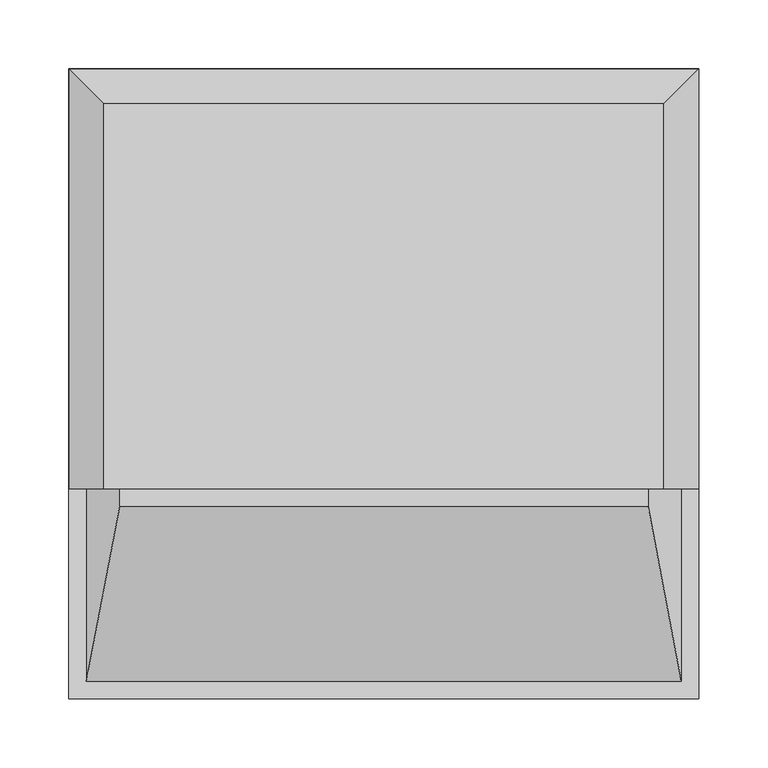
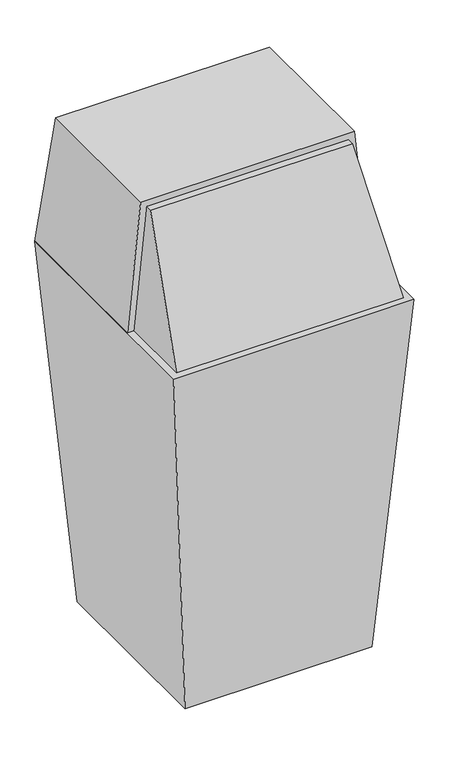
"""IFC4 building model written with IfcOpenShell, lengths in millimetres: proxy geometry."""

from ifc_helpers import new_model, si_unit, origin, place, context, project, spatial, faceted_brep, source, transform, mapped, element, save


def specialty_equipment_5cf6f76e(model_context):
    return source(origin(), model_context, "Body", "Brep", [
        faceted_brep([(12.763342, 152.4, 711.2), (36.893342, 152.4, 952.5), (420.306658, 152.4, 952.5), (444.436658, 152.4, 711.2), (444.436658, 12.7, 711.2), (12.763342, 12.7, 711.2), (420.306658, 139.7, 952.5), (36.893342, 139.7, 952.5)], [[[0, 1, 2, 3]], [[0, 3, 4, 5]], [[3, 2, 6, 4]], [[2, 1, 7, 6]], [[1, 0, 5, 7]], [[5, 4, 6, 7]]]),
        faceted_brep([(0.0, 0.0, 711.2), (457.2, 0.0, 711.2), (457.2, 457.2, 711.2), (0.0, 457.2, 711.2), (50.8, 50.8, 0.0), (50.8, 406.4, 0.0), (406.4, 406.4, 0.0), (406.4, 50.8, 0.0)], [[[0, 1, 2, 3]], [[4, 5, 6, 7]], [[4, 7, 1, 0]], [[7, 6, 2, 1]], [[6, 5, 3, 2]], [[5, 4, 0, 3]]]),
        faceted_brep([(25.4, 431.8, 965.2), (25.4, 152.4, 965.2), (431.8, 152.4, 965.2), (431.8, 431.8, 965.2), (0.0, 457.2, 711.2), (457.2, 457.2, 711.2), (457.2, 152.4, 711.2), (0.0, 152.4, 711.2)], [[[0, 1, 2, 3]], [[4, 5, 6, 7]], [[4, 7, 1, 0]], [[7, 6, 2, 1]], [[6, 5, 3, 2]], [[5, 4, 0, 3]]]),
    ])


if __name__ == "__main__":
    model = new_model("IFC4")
    model_context = context("Model", 3, world=origin())
    ifc_project = project(units=[si_unit("LENGTHUNIT", "METRE", prefix="MILLI")], contexts=[model_context])
    site = spatial("IfcSite", under=ifc_project)
    building = spatial("IfcBuilding", under=site)
    placement = place(None, origin())
    specialty_equipment_shape = specialty_equipment_5cf6f76e(model_context)
    element("IfcBuildingElementProxy", 1, Name="Specialty Equipment", at=placement, inside=building, context=model_context, shape_type="MappedRepresentation", body=[
        mapped(specialty_equipment_shape, transform((0.0, 0.0, 0.0), x_axis=(1.0, 0.0, 0.0), y_axis=(0.0, 1.0, 0.0), z_axis=(0.0, 0.0, 1.0))),
    ])
    save(model, "model.ifc")
